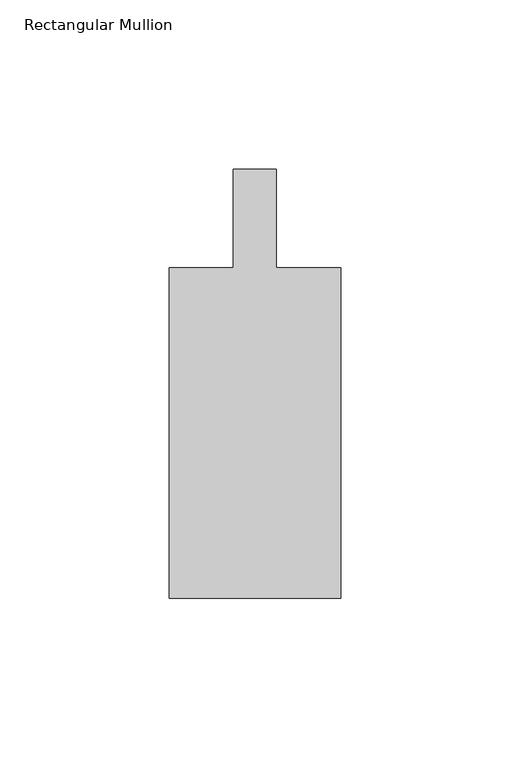
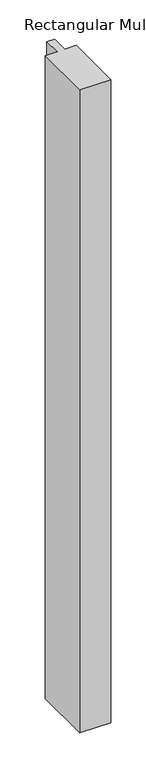
"""IFC4 building model written with IfcOpenShell, lengths in millimetres: member geometry, Rectangular Mullion."""

from ifc_helpers import new_model, si_unit, frame, origin, place, context, project, spatial, polyline, outline, extrude, source, transform, mapped, element, save


def rectangular_mullion_bcc26937(model_context):
    return source(origin(), model_context, "Body", "SweptSolid", [
        extrude(outline(polyline([(25.4, -152.3998833), (-25.4, -152.3998833), (-25.4, -54.6098833), (-6.3510809, -54.6098833), (-6.3510809, -25.4), (6.3489191, -25.4), (6.3489191, -54.6098833), (25.4, -54.6098833), (25.4, -152.3998833)])), frame((0.0, 0.0, -1115.6893215), z_axis=(0.0, 0.0, 1.0), x_axis=(1.0, 0.0, 0.0)), (0.0, 0.0, 1.0), 1115.6893215),
    ])


if __name__ == "__main__":
    model = new_model("IFC4")
    model_context = context("Model", 3, world=origin())
    ifc_project = project(units=[si_unit("LENGTHUNIT", "METRE", prefix="MILLI")], contexts=[model_context])
    site = spatial("IfcSite", under=ifc_project)
    building = spatial("IfcBuilding", under=site)
    placement = place(None, origin())
    rectangular_mullion_shape = rectangular_mullion_bcc26937(model_context)
    element("IfcMember", 1, ObjectType="Rectangular Mullion", at=placement, inside=building, context=model_context, shape_type="MappedRepresentation", body=[
        mapped(rectangular_mullion_shape, transform((0.0, 0.0, 0.0), x_axis=(1.0, 0.0, 0.0), y_axis=(0.0, 1.0, 0.0), z_axis=(0.0, 0.0, 1.0))),
    ])
    save(model, "model.ifc")
